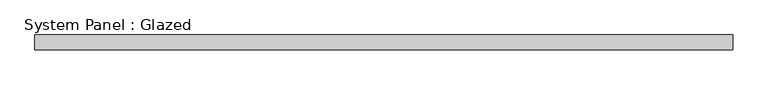
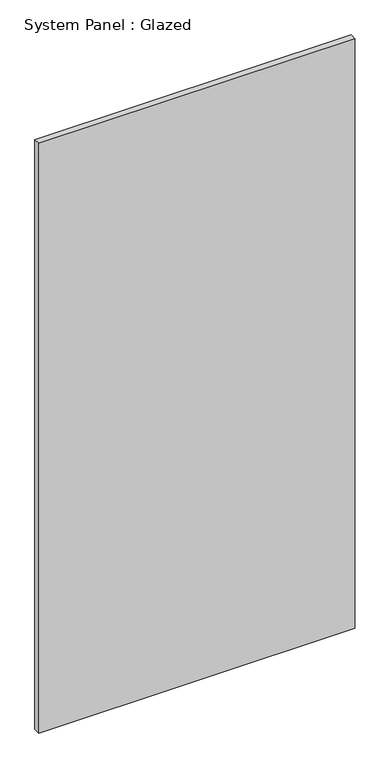
"""IFC4 building model written with IfcOpenShell, lengths in millimetres: plate geometry, System Panel : Glazed."""

from ifc_helpers import new_model, si_unit, origin, origin_with_axes, place, context, project, spatial, polyline, outline, extrude, source, transform, mapped, element, save


def system_panel_glazed_9a193868(model_context):
    return source(origin(), model_context, "Body", "SweptSolid", [
        extrude(outline(polyline([(589.5173232, 24.5), (-589.5173232, 24.5), (-589.5173232, 49.5), (589.5173232, 49.5), (589.5173232, 24.5)])), origin_with_axes(), (0.0, 0.0, 1.0), 2325.0),
    ])


if __name__ == "__main__":
    model = new_model("IFC4")
    model_context = context("Model", 3, world=origin())
    ifc_project = project(units=[si_unit("LENGTHUNIT", "METRE", prefix="MILLI")], contexts=[model_context])
    site = spatial("IfcSite", under=ifc_project)
    building = spatial("IfcBuilding", under=site)
    placement = place(None, origin())
    system_panel_glazed_shape = system_panel_glazed_9a193868(model_context)
    element("IfcPlate", 1, ObjectType="System Panel : Glazed", at=placement, inside=building, context=model_context, shape_type="MappedRepresentation", body=[
        mapped(system_panel_glazed_shape, transform((0.0, 0.0, 0.0), x_axis=(1.0, 0.0, 0.0), y_axis=(0.0, 1.0, 0.0), z_axis=(0.0, 0.0, 1.0))),
    ])
    save(model, "model.ifc")
